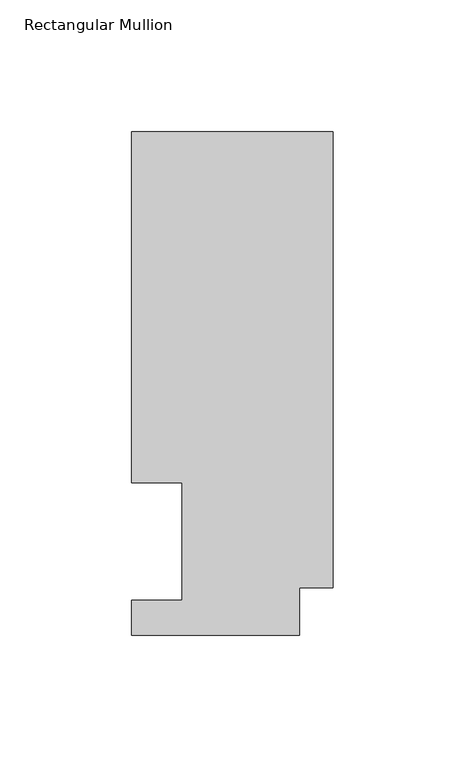
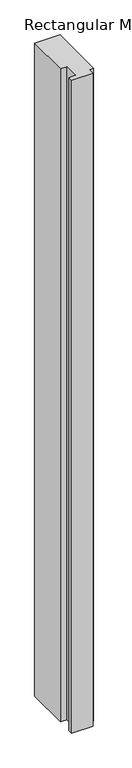
"""IFC4 building model written with IfcOpenShell, lengths in millimetres: member geometry, Rectangular Mullion."""

from ifc_helpers import new_model, si_unit, frame, origin, place, context, project, spatial, polyline, outline, extrude, source, transform, mapped, element, save


def rectangular_mullion_c1f4fcdb(model_context):
    return source(origin(), model_context, "Body", "SweptSolid", [
        extrude(outline(polyline([(0.0, 190.5896938), (0.0, 17.9712937), (-12.7, 17.9712937), (-12.7, 0.0134938), (-76.2, 0.0134938), (-76.2, 13.1960938), (-57.15, 13.1960938), (-57.15, 57.6460937), (-76.2, 57.6460937), (-76.2, 190.5896938), (0.0, 190.5896938)])), frame((0.0, 0.0, -2057.4), z_axis=(0.0, 0.0, 1.0), x_axis=(1.0, 0.0, 0.0)), (0.0, 0.0, 1.0), 2057.4),
    ])


if __name__ == "__main__":
    model = new_model("IFC4")
    model_context = context("Model", 3, world=origin())
    ifc_project = project(units=[si_unit("LENGTHUNIT", "METRE", prefix="MILLI")], contexts=[model_context])
    site = spatial("IfcSite", under=ifc_project)
    building = spatial("IfcBuilding", under=site)
    placement = place(None, origin())
    rectangular_mullion_shape = rectangular_mullion_c1f4fcdb(model_context)
    element("IfcMember", 1, ObjectType="Rectangular Mullion", at=placement, inside=building, context=model_context, shape_type="MappedRepresentation", body=[
        mapped(rectangular_mullion_shape, transform((0.0, 0.0, 0.0), x_axis=(1.0, 0.0, 0.0), y_axis=(0.0, 1.0, 0.0), z_axis=(0.0, 0.0, 1.0))),
    ])
    save(model, "model.ifc")
